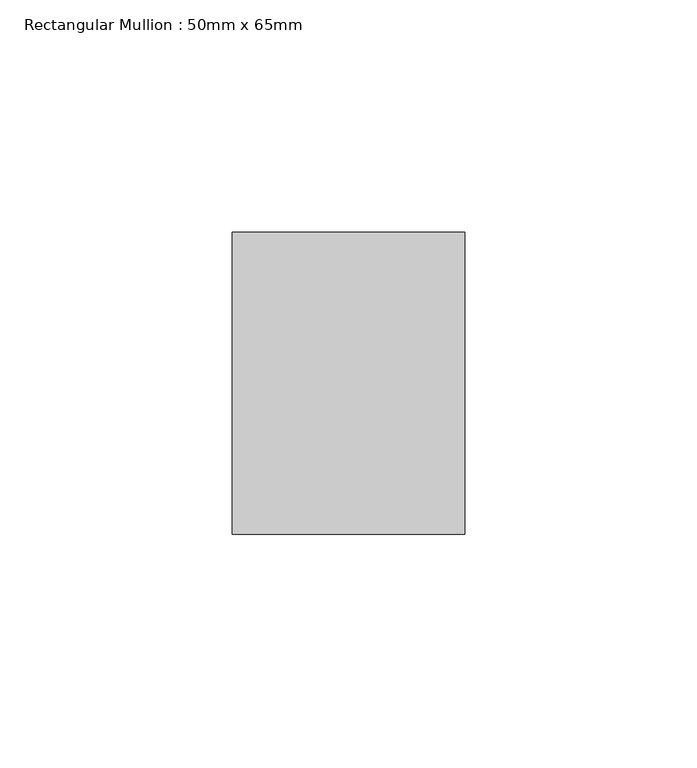
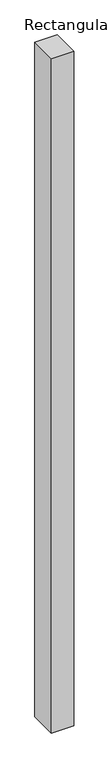
"""IFC4 building model written with IfcOpenShell, lengths in millimetres: member geometry, Rectangular Mullion : 50mm x 65mm."""

from ifc_helpers import new_model, si_unit, frame, origin, place, context, project, spatial, polyline, outline, extrude, source, transform, mapped, element, save


def rectangular_mullion_50mm_x_65mm_c00dfe4d(model_context):
    return source(origin(), model_context, "Body", "SweptSolid", [
        extrude(outline(polyline([(25.0, 32.5), (25.0, -32.5), (-25.0, -32.5), (-25.0, 32.5), (25.0, 32.5)])), frame((0.0, 0.0, -1612.9647258), z_axis=(0.0, 0.0, 1.0), x_axis=(1.0, 0.0, 0.0)), (0.0, 0.0, 1.0), 1612.9647258),
    ])


if __name__ == "__main__":
    model = new_model("IFC4")
    model_context = context("Model", 3, world=origin())
    ifc_project = project(units=[si_unit("LENGTHUNIT", "METRE", prefix="MILLI")], contexts=[model_context])
    site = spatial("IfcSite", under=ifc_project)
    building = spatial("IfcBuilding", under=site)
    placement = place(None, origin())
    rectangular_mullion_50mm_x_65mm_shape = rectangular_mullion_50mm_x_65mm_c00dfe4d(model_context)
    element("IfcMember", 1, ObjectType="Rectangular Mullion : 50mm x 65mm", at=placement, inside=building, context=model_context, shape_type="MappedRepresentation", body=[
        mapped(rectangular_mullion_50mm_x_65mm_shape, transform((0.0, 0.0, 0.0), x_axis=(1.0, 0.0, 0.0), y_axis=(0.0, 1.0, 0.0), z_axis=(0.0, 0.0, 1.0))),
    ])
    save(model, "model.ifc")
